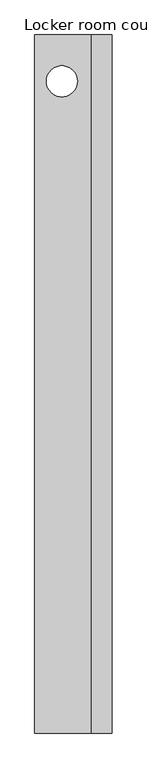
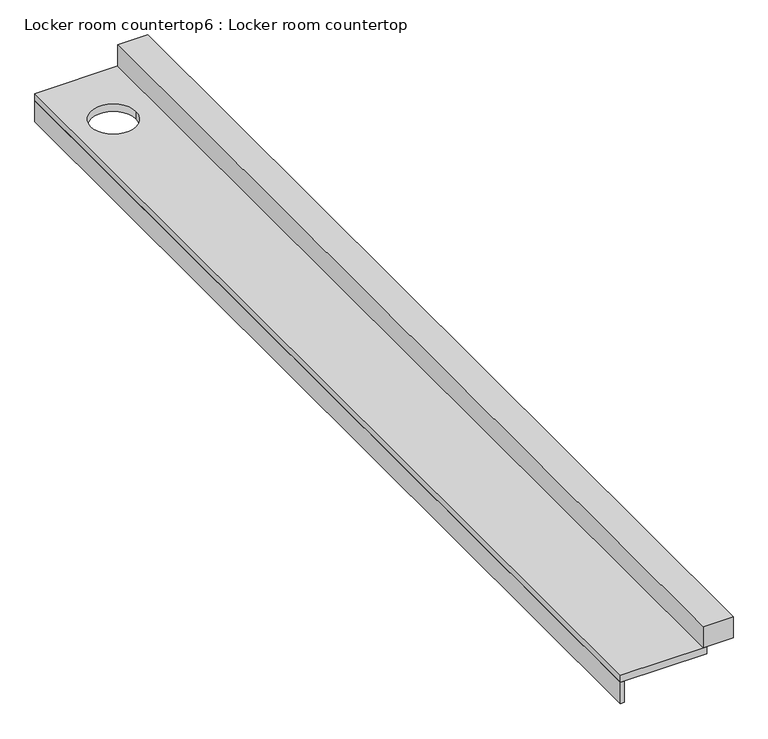
"""IFC4 building model written with IfcOpenShell, lengths in millimetres: furniture geometry, Locker room countertop6 : Locker room countertop."""

from ifc_helpers import new_model, si_unit, point, frame, frame_2d, origin, place, context, project, spatial, polyline, circle_curve, trimmed, segment, composite_curve, outline, extrude, source, transform, mapped, element, save


def locker_room_countertop6_locker_room_countertop_775861bb(model_context):
    return source(origin(), model_context, "Body", "SweptSolid", [
        extrude(outline(polyline([(451232.3754676, -269240.8080223), (451232.3754676, -262382.8080223), (451257.7754676, -262382.8080223), (451257.7754676, -269240.8080223), (451232.3754676, -269240.8080223)])), frame((0.0, 0.0, 660.4), z_axis=(0.0, 0.0, 1.0), x_axis=(1.0, 0.0, 0.0)), (0.0, 0.0, 1.0), 152.4),
        extrude(outline(polyline([(451791.1754676, -262382.8080223), (451994.3754676, -262382.8080223), (451994.3754676, -269240.8080223), (451791.1754676, -269240.8080223), (451791.1754676, -262382.8080223)])), frame((0.0, 0.0, 863.6), z_axis=(0.0, 0.0, 1.0), x_axis=(1.0, 0.0, 0.0)), (0.0, 0.0, 1.0), 152.4),
        extrude(outline(polyline([(451232.3754676, -262382.8080223), (451816.5754676, -262382.8080223), (451816.5754676, -269240.8080223), (451232.3754676, -269240.8080223), (451232.3754676, -262382.8080223)]), holes=[composite_curve([segment(trimmed(circle_curve(frame_2d((451499.6017374, -262838.1152353)), 152.4), [point((451652.0017374, -262838.1152353))], [point((451347.2017374, -262838.1152353))], True, "CARTESIAN"), True, "CONTINUOUS"), segment(trimmed(circle_curve(frame_2d((451499.6017374, -262838.1152353)), 152.4), [point((451347.2017374, -262838.1152353))], [point((451652.0017374, -262838.1152353))], True, "CARTESIAN"), True, "CONTINUOUS")], self_intersect=False)]), frame((0.0, 0.0, 812.8), z_axis=(0.0, 0.0, 1.0), x_axis=(1.0, 0.0, 0.0)), (0.0, 0.0, 1.0), 50.8),
    ])


if __name__ == "__main__":
    model = new_model("IFC4")
    model_context = context("Model", 3, world=origin())
    ifc_project = project(units=[si_unit("LENGTHUNIT", "METRE", prefix="MILLI")], contexts=[model_context])
    site = spatial("IfcSite", under=ifc_project)
    building = spatial("IfcBuilding", under=site)
    placement = place(None, origin())
    locker_room_countertop6_locker_room_countertop_shape = locker_room_countertop6_locker_room_countertop_775861bb(model_context)
    element("IfcFurniture", 1, ObjectType="Locker room countertop6 : Locker room countertop", at=placement, inside=building, context=model_context, shape_type="MappedRepresentation", body=[
        mapped(locker_room_countertop6_locker_room_countertop_shape, transform((0.0, 0.0, 0.0), x_axis=(1.0, 0.0, 0.0), y_axis=(0.0, 1.0, 0.0), z_axis=(0.0, 0.0, 1.0))),
    ])
    save(model, "model.ifc")
